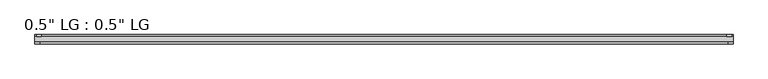
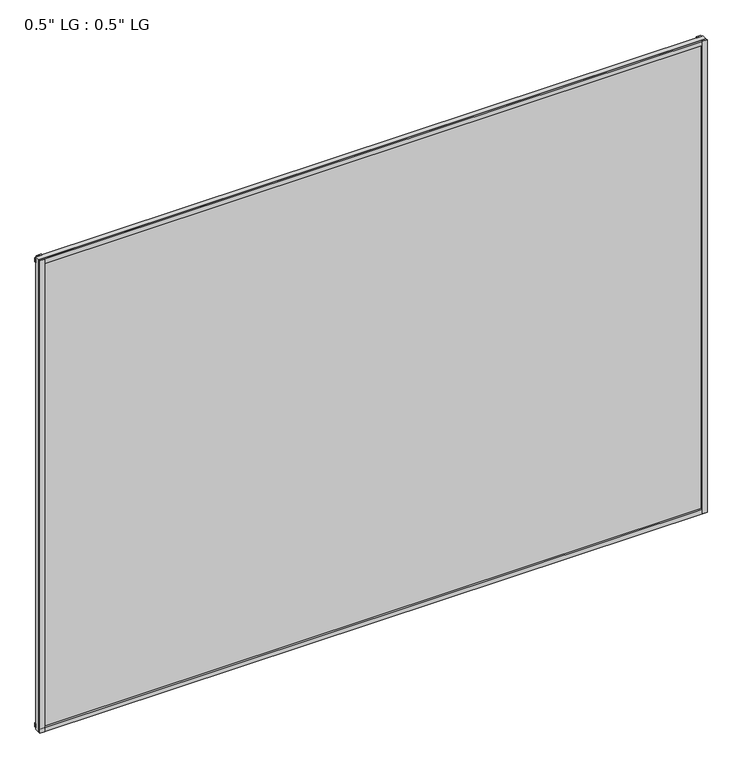
"""IFC4 building model written with IfcOpenShell, lengths in millimetres: plate geometry."""

from ifc_helpers import new_model, si_unit, frame, origin, origin_with_axes, place, context, project, spatial, polyline, outline, extrude, source, transform, mapped, element, save


def plate_e392d94e(model_context):
    return source(origin(), model_context, "Body", "SweptSolid", [
        extrude(outline(polyline([(867.5318507, -33.3271813), (867.5318507, -38.0007813), (855.3941711, -38.0007813), (855.3941711, -33.3271813), (867.5318507, -33.3271813)])), origin_with_axes(), (0.0, 0.0, 1.0), 1297.2047842),
        extrude(outline(polyline([(864.000497, -15.5217813), (864.000497, -19.7127813), (851.9880732, -19.7127813), (851.9880732, -15.5217813), (864.000497, -15.5217813)])), origin_with_axes(), (0.0, 0.0, 1.0), 1297.2047842),
        extrude(outline(polyline([(-855.2412727, -38.0007812), (-867.5318507, -38.0007812), (-867.5318507, -33.3271813), (-855.2412727, -33.3271813), (-855.2412727, -38.0007812)])), origin_with_axes(), (0.0, 0.0, 1.0), 1297.2047842),
        extrude(outline(polyline([(-851.2820348, -19.7127813), (-863.5726128, -19.7127813), (-863.5726128, -15.5217812), (-851.2820348, -15.5217812), (-851.2820348, -19.7127813)])), origin_with_axes(), (0.0, 0.0, 1.0), 1297.2047842),
        extrude(outline(polyline([(867.5318507, -33.3271813), (867.5318507, -38.0007813), (-867.5318507, -38.0007812), (-867.5318507, -33.3271812), (867.5318507, -33.3271813)])), origin_with_axes(), (0.0, 0.0, 1.0), 11.1693096),
        extrude(outline(polyline([(867.5318507, -15.3590708), (867.5318507, -20.1364307), (-867.5318507, -20.1364307), (-867.5318507, -15.3590708), (867.5318507, -15.3590708)])), frame((0.0, 0.0, 3.848913), z_axis=(0.0, 0.0, 1.0), x_axis=(1.0, 0.0, 0.0)), (0.0, 0.0, 1.0), 11.1693096),
        extrude(outline(polyline([(867.5318507, -33.3271813), (867.5318507, -38.0007813), (-867.5318507, -38.0007812), (-867.5318507, -33.3271812), (867.5318507, -33.3271813)])), frame((0.0, 0.0, 1286.0236783), z_axis=(0.0, 0.0, 1.0), x_axis=(1.0, 0.0, 0.0)), (0.0, 0.0, 1.0), 11.1811058),
        extrude(outline(polyline([(867.5318507, -15.5217813), (867.5318507, -19.7127813), (-867.5318507, -19.7127812), (-867.5318507, -15.5217813), (867.5318507, -15.5217813)])), frame((0.0, 0.0, 1281.4645316), z_axis=(0.0, 0.0, 1.0), x_axis=(1.0, 0.0, 0.0)), (0.0, 0.0, 1.0), 11.1811058),
        extrude(outline(polyline([(867.5318507, -33.3271812), (-867.5318507, -33.3271812), (-867.5318507, -19.7127812), (867.5318507, -19.7127812), (867.5318507, -33.3271812)])), origin_with_axes(), (0.0, 0.0, 1.0), 1297.2047842),
    ])


if __name__ == "__main__":
    model = new_model("IFC4")
    model_context = context("Model", 3, world=origin())
    ifc_project = project(units=[si_unit("LENGTHUNIT", "METRE", prefix="MILLI")], contexts=[model_context])
    site = spatial("IfcSite", under=ifc_project)
    building = spatial("IfcBuilding", under=site)
    placement = place(None, origin())
    plate_shape = plate_e392d94e(model_context)
    element("IfcPlate", 1, ObjectType="0.5\" LG : 0.5\" LG", at=placement, inside=building, context=model_context, shape_type="MappedRepresentation", body=[
        mapped(plate_shape, transform((0.0, 0.0, 0.0), x_axis=(1.0, 0.0, 0.0), y_axis=(0.0, 1.0, 0.0), z_axis=(0.0, 0.0, 1.0))),
    ])
    save(model, "model.ifc")
